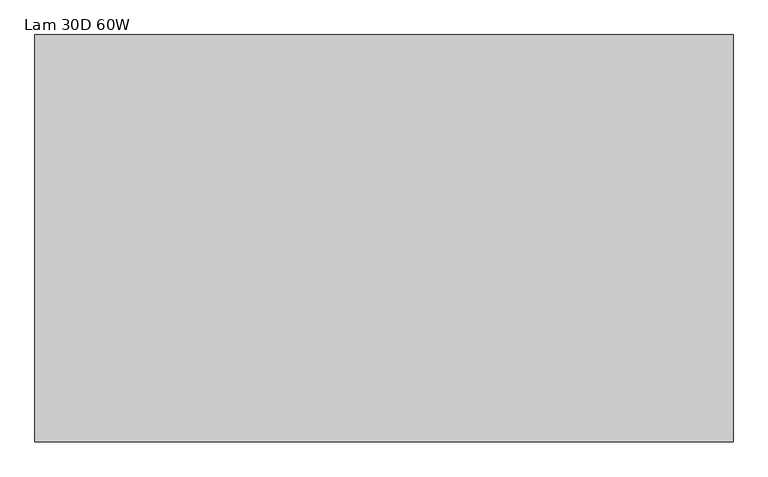
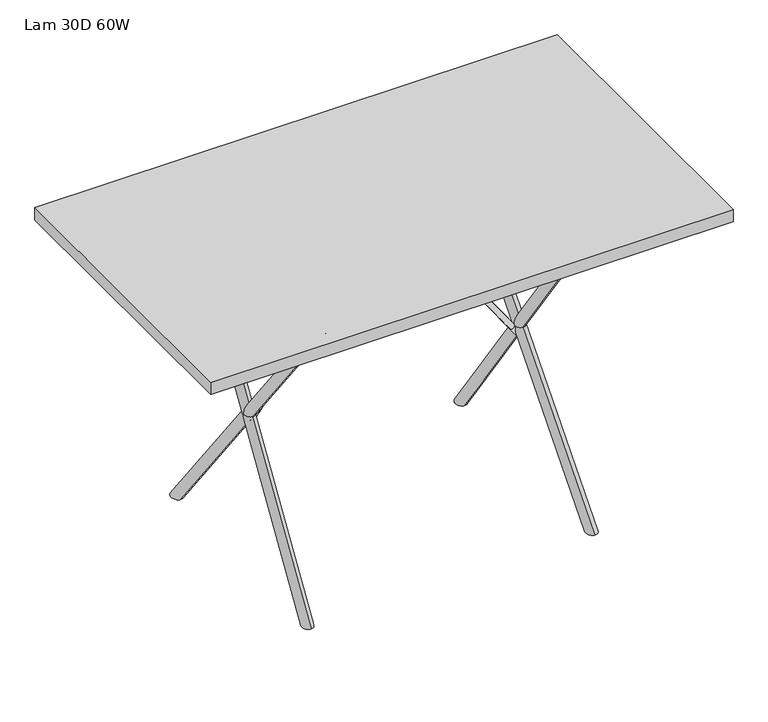
"""IFC4 building model written with IfcOpenShell, lengths in millimetres: furniture geometry, Lam 30D 60W."""

from ifc_helpers import new_model, si_unit, point, frame, frame_2d, origin, place, context, project, spatial, polyline, circle_curve, ellipse_curve, trimmed, segment, composite_curve, outline, extrude, source, transform, mapped, element, save
from ifc_brep_helpers import plane_surface, cylinder_surface, advanced_brep


def lam_30d_60w_c02bdd81(model_context):
    return source(origin(), model_context, "Body", "SolidModel", [
        extrude(outline(composite_curve([segment(trimmed(circle_curve(frame_2d((0.0, -6.349985)), 6.3500301), [point((0.0, -12.7000151))], [point((0.0, 4.52e-05))], False, "CARTESIAN"), True, "CONTINUOUS"), segment(trimmed(circle_curve(frame_2d((0.0, -6.349985)), 6.3500301), [point((0.0, 4.52e-05))], [point((0.0, -12.7000151))], False, "CARTESIAN"), True, "CONTINUOUS")], self_intersect=False)), frame((298.4722567, 0.0, 355.4268153), z_axis=(-0.5735764183690047, 0.0, 0.8191520568801525), x_axis=(0.0, -1.0, 0.0)), (0.0, 0.0, 1.0), 433.5126859),
        extrude(outline(composite_curve([segment(trimmed(circle_curve(frame_2d((0.0, 6.349985)), 6.3500301), [point((0.0, -4.52e-05))], [point((0.0, 12.7000151))], False, "CARTESIAN"), True, "CONTINUOUS"), segment(trimmed(circle_curve(frame_2d((0.0, 6.349985)), 6.3500301), [point((0.0, 12.7000151))], [point((0.0, -4.52e-05))], False, "CARTESIAN"), True, "CONTINUOUS")], self_intersect=False)), frame((-311.5958629, 0.0, 336.6843624), z_axis=(0.5735764183690047, 0.0, 0.8191520568801525), x_axis=(0.0, -1.0, 0.0)), (0.0, 0.0, 1.0), 456.3929958),
        extrude(outline(composite_curve([segment(trimmed(circle_curve(frame_2d((0.0, 6.349985)), 6.3500301), [point((0.0, -4.52e-05))], [point((0.0, 12.7000151))], False, "CARTESIAN"), True, "CONTINUOUS"), segment(trimmed(circle_curve(frame_2d((0.0, 6.349985)), 6.3500301), [point((0.0, 12.7000151))], [point((0.0, -4.52e-05))], False, "CARTESIAN"), True, "CONTINUOUS")], self_intersect=False)), frame((311.5958629, 0.0, 336.6843624), z_axis=(-0.5735764183690047, 0.0, 0.8191520568801525), x_axis=(0.0, 1.0, 0.0)), (0.0, 0.0, 1.0), 456.3929958),
        extrude(outline(composite_curve([segment(trimmed(circle_curve(frame_2d((0.0, -6.349985)), 6.3500301), [point((0.0, -12.7000151))], [point((0.0, 4.52e-05))], False, "CARTESIAN"), True, "CONTINUOUS"), segment(trimmed(circle_curve(frame_2d((0.0, -6.349985)), 6.3500301), [point((0.0, 4.52e-05))], [point((0.0, -12.7000151))], False, "CARTESIAN"), True, "CONTINUOUS")], self_intersect=False)), frame((-298.4722567, 0.0, 355.4268153), z_axis=(0.5735764183690047, 0.0, 0.8191520568801525), x_axis=(0.0, 1.0, 0.0)), (0.0, 0.0, 1.0), 433.5126859),
        advanced_brep(
        [(-326.3269983, -243.900955, 0.0), (-326.3269983, -275.4219464, 0.0), (-294.8127296, 255.6181514, 721.7954208), (-295.4688542, 276.0829309, 706.7676985)],
        [
            (0, 1, ellipse_curve(frame((-326.3269983, -259.6614507, 0.0), z_axis=(0.0, 0.0, -1.0), x_axis=(0.05924020065670773, 0.9982437571185472, 0.0)), 15.7755105, 12.6991155)),
            (1, 0, ellipse_curve(frame((-326.3269983, -259.6614507, 0.0), z_axis=(0.0, 0.0, -1.0), x_axis=(0.05924020065670773, 0.9982437571185472, 0.0)), 15.7755105, 12.6991155)),
            (2, 3, circle_curve(frame((-295.1407919, 265.8505412, 714.2815597), z_axis=(0.035146587285348904, 0.5922475101821143, 0.8049891950115106), x_axis=(-0.025833473562813666, 0.8057560962742301, -0.5916838217837235)), 12.6991155)),
            (3, 2, circle_curve(frame((-295.1407919, 265.8505412, 714.2815597), z_axis=(0.035146587285348904, 0.5922475101821143, 0.8049891950115106), x_axis=(-0.025833473562813666, 0.8057560962742301, -0.5916838217837235)), 12.6991155)),
            (3, 0),
            (1, 2),
        ],
        [
            plane_surface(frame((600.0, 306.3011862, 0.0), z_axis=(0.0, 0.0, -1.0), x_axis=(0.0, -1.0, 0.0))),
            plane_surface(frame((-447.7220384, 276.0267563, 713.4565449), z_axis=(0.035146587285348904, 0.5922475101821143, 0.8049891950115106), x_axis=(-0.9990482215818578, 0.0, 0.04361938736533609))),
            cylinder_surface(frame((-295.1407919, 265.8505412, 714.2815597), z_axis=(0.035146587285348904, 0.5922475101821143, 0.8049891950115106), x_axis=(-0.025833473562813666, 0.8057560962742301, -0.5916838217837235)), 12.6991155),
        ],
        [
            (0, [[1, 2]]),
            (1, [[3, 4]]),
            (2, [[5, -2, 6, -4]]),
            (2, [[-6, -1, -5, -3]]),
        ],
    ),
        advanced_brep(
        [(-320.6207087, 273.561655, 0.0), (-326.3269983, 243.900955, 0.0), (-333.637246, 272.7891961, 0.0), (-295.4688542, -276.0829309, 706.7676985), (-294.8127296, -255.6181514, 721.7954208), (-326.2812266, 274.6506568, 1.0483451)],
        [
            (0, 1, ellipse_curve(frame((-326.3269983, 259.6614507, 0.0), z_axis=(0.0, 0.0, -1.0), x_axis=(0.059240200656762644, -0.9982437571185439, 0.0)), 15.7755105, 12.6991155)),
            (1, 2, ellipse_curve(frame((-326.3269983, 259.6614507, 0.0), z_axis=(0.0, 0.0, -1.0), x_axis=(0.059240200656762644, -0.9982437571185439, 0.0)), 15.7755105, 12.6991155)),
            (2, 0),
            (3, 4, circle_curve(frame((-295.1407919, -265.8505412, 714.2815597), z_axis=(0.03514658728538636, -0.592247510182115, 0.8049891950115087), x_axis=(0.02583347356276269, 0.8057560962742296, 0.5916838217837262)), 12.6991155)),
            (4, 3, circle_curve(frame((-295.1407919, -265.8505412, 714.2815597), z_axis=(0.03514658728538636, -0.592247510182115, 0.8049891950115087), x_axis=(0.02583347356276269, 0.8057560962742296, 0.5916838217837262)), 12.6991155)),
            (2, 5, circle_curve(frame((-326.6092888, 264.4182671, -6.4655161), z_axis=(-0.03514658728538636, 0.592247510182115, -0.8049891950115087), x_axis=(0.02583347356276269, 0.8057560962742296, 0.5916838217837262)), 12.6991155)),
            (5, 0, circle_curve(frame((-326.6092888, 264.4182671, -6.4655161), z_axis=(-0.03514658728538636, 0.592247510182115, -0.8049891950115087), x_axis=(0.02583347356276269, 0.8057560962742296, 0.5916838217837262)), 12.6991155)),
            (3, 1),
            (5, 4),
        ],
        [
            plane_surface(frame((600.0, 306.3011862, 0.0), z_axis=(0.0, 0.0, -1.0), x_axis=(0.0, -1.0, 0.0))),
            plane_surface(frame((-447.7220384, -276.0267563, 713.4565449), z_axis=(0.03514658728538635, -0.592247510182115, 0.8049891950115086), x_axis=(-0.9990482215818578, 0.0, 0.043619387365336076))),
            plane_surface(frame((-479.1905353, 254.242052, -7.2905309), z_axis=(-0.03514658728538635, 0.592247510182115, -0.8049891950115086), x_axis=(-0.9990482215818578, 0.0, 0.043619387365336076))),
            cylinder_surface(frame((-295.1407919, -265.8505412, 714.2815597), z_axis=(0.03514658728538635, -0.5922475101821149, 0.8049891950115085), x_axis=(0.02583347356276269, 0.8057560962742296, 0.5916838217837262)), 12.6991155),
        ],
        [
            (0, [[1, 2, 3]]),
            (1, [[4, 5]]),
            (2, [[-3, 6, 7]]),
            (3, [[8, -1, -7, 9, -4]]),
            (3, [[-9, -6, -2, -8, -5]]),
        ],
    ),
        advanced_brep(
        [(295.4688542, 276.0829309, 706.7676985), (294.8127296, 255.6181514, 721.7954208), (326.3269983, -275.4219464, 0.0), (326.3269983, -243.900955, 0.0)],
        [
            (0, 1, circle_curve(frame((295.1407919, 265.8505412, 714.2815597), z_axis=(-0.0351465872853882, 0.5922475101821145, 0.8049891950115088), x_axis=(-0.025833473562760202, -0.80575609627423, 0.591683821783726)), 12.6991155)),
            (1, 0, circle_curve(frame((295.1407919, 265.8505412, 714.2815597), z_axis=(-0.0351465872853882, 0.5922475101821145, 0.8049891950115088), x_axis=(-0.025833473562760202, -0.80575609627423, 0.591683821783726)), 12.6991155)),
            (1, 2),
            (2, 3, ellipse_curve(frame((326.3269983, -259.6614507, 0.0), z_axis=(0.0, 0.0, 1.0), x_axis=(-0.059240200656773705, 0.9982437571185433, 0.0)), 15.7755105, 12.6991155)),
            (3, 0),
            (3, 2, ellipse_curve(frame((326.3269983, -259.6614507, 0.0), z_axis=(0.0, 0.0, 1.0), x_axis=(-0.059240200656773705, 0.9982437571185433, 0.0)), 15.7755105, 12.6991155)),
        ],
        [
            plane_surface(frame((447.7220384, 276.0267563, 713.4565449), z_axis=(-0.0351465872853882, 0.5922475101821145, 0.8049891950115088), x_axis=(0.9990482215818578, 0.0, 0.043619387365336076))),
            cylinder_surface(frame((295.1407919, 265.8505412, 714.2815597), z_axis=(-0.0351465872853882, 0.5922475101821145, 0.8049891950115088), x_axis=(-0.025833473562760202, -0.80575609627423, 0.591683821783726)), 12.6991155),
            plane_surface(frame((600.0, 306.3011862, 0.0), z_axis=(0.0, 0.0, -1.0), x_axis=(0.0, -1.0, 0.0))),
        ],
        [
            (0, [[1, 2]]),
            (1, [[3, 4, 5, -2]]),
            (1, [[-5, 6, -3, -1]]),
            (2, [[-6, -4]]),
        ],
    ),
        advanced_brep(
        [(294.8127296, -255.6181514, 721.7954208), (295.4688542, -276.0829309, 706.7676985), (326.2812266, 274.6506568, 1.0483451), (333.637246, 272.7891961, 0.0), (320.6207087, 273.561655, 0.0), (326.3269983, 243.900955, 0.0)],
        [
            (0, 1, circle_curve(frame((295.1407919, -265.8505412, 714.2815597), z_axis=(-0.03514658728534323, -0.5922475101821145, 0.8049891950115108), x_axis=(0.025833473562821382, -0.8057560962742301, -0.5916838217837234)), 12.6991155)),
            (1, 0, circle_curve(frame((295.1407919, -265.8505412, 714.2815597), z_axis=(-0.03514658728534323, -0.5922475101821145, 0.8049891950115108), x_axis=(0.025833473562821382, -0.8057560962742301, -0.5916838217837234)), 12.6991155)),
            (2, 3, circle_curve(frame((326.6092888, 264.4182671, -6.4655161), z_axis=(0.03514658728534323, 0.5922475101821145, -0.8049891950115108), x_axis=(0.025833473562821382, -0.8057560962742301, -0.5916838217837234)), 12.6991155)),
            (3, 4),
            (4, 2, circle_curve(frame((326.6092888, 264.4182671, -6.4655161), z_axis=(0.03514658728534323, 0.5922475101821145, -0.8049891950115108), x_axis=(0.025833473562821382, -0.8057560962742301, -0.5916838217837234)), 12.6991155)),
            (0, 2),
            (4, 5, ellipse_curve(frame((326.3269983, 259.6614507, 0.0), z_axis=(0.0, 0.0, 1.0), x_axis=(-0.05924020065669025, -0.9982437571185482, 0.0)), 15.7755105, 12.6991155)),
            (5, 1),
            (5, 3, ellipse_curve(frame((326.3269983, 259.6614507, 0.0), z_axis=(0.0, 0.0, 1.0), x_axis=(-0.05924020065669025, -0.9982437571185482, 0.0)), 15.7755105, 12.6991155)),
        ],
        [
            plane_surface(frame((447.7220384, -276.0267563, 713.4565449), z_axis=(-0.03514658728534323, -0.5922475101821145, 0.8049891950115108), x_axis=(0.9990482215818578, 0.0, 0.04361938736533607))),
            plane_surface(frame((479.1905353, 254.242052, -7.2905309), z_axis=(0.03514658728534323, 0.5922475101821145, -0.8049891950115108), x_axis=(0.9990482215818578, 0.0, 0.04361938736533607))),
            cylinder_surface(frame((295.1407919, -265.8505412, 714.2815597), z_axis=(-0.03514658728534323, -0.5922475101821145, 0.8049891950115108), x_axis=(0.025833473562821382, -0.8057560962742301, -0.5916838217837234)), 12.6991155),
            plane_surface(frame((600.0, 306.3011862, 0.0), z_axis=(0.0, 0.0, -1.0), x_axis=(0.0, -1.0, 0.0))),
        ],
        [
            (0, [[1, 2]]),
            (1, [[3, 4, 5]]),
            (2, [[6, -5, 7, 8, -1]]),
            (2, [[-8, 9, -3, -6, -2]]),
            (3, [[-9, -7, -4]]),
        ],
    ),
        extrude(outline(polyline([(-600.0, -350.0), (-600.0, 350.0), (600.0, 350.0), (600.0, -350.0), (-600.0, -350.0)])), frame((0.0, 0.0, 710.5396236), z_axis=(0.0, 0.0, 1.0), x_axis=(1.0, 0.0, 0.0)), (0.0, 0.0, 1.0), 29.9720078),
    ])


if __name__ == "__main__":
    model = new_model("IFC4")
    model_context = context("Model", 3, world=origin())
    ifc_project = project(units=[si_unit("LENGTHUNIT", "METRE", prefix="MILLI")], contexts=[model_context])
    site = spatial("IfcSite", under=ifc_project)
    building = spatial("IfcBuilding", under=site)
    placement = place(None, origin())
    lam_30d_60w_shape = lam_30d_60w_c02bdd81(model_context)
    element("IfcFurniture", 1, ObjectType="Lam 30D 60W", at=placement, inside=building, context=model_context, shape_type="MappedRepresentation", body=[
        mapped(lam_30d_60w_shape, transform((0.0, 0.0, 0.0), x_axis=(1.0, 0.0, 0.0), y_axis=(0.0, 1.0, 0.0), z_axis=(0.0, 0.0, 1.0))),
    ])
    save(model, "model.ifc")
